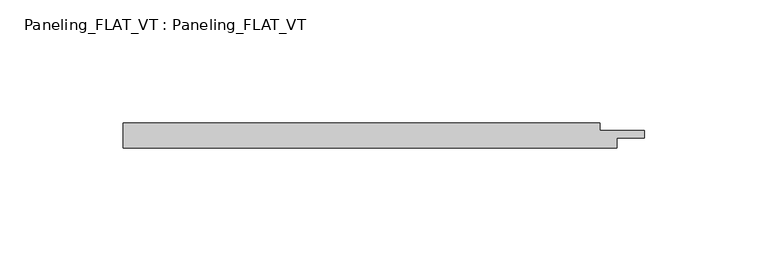
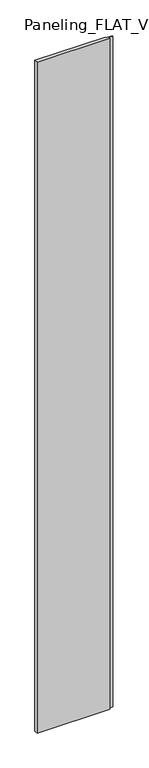
"""IFC4 building model written with IfcOpenShell, lengths in millimetres: plate geometry, Paneling_FLAT_VT : Paneling_FLAT_VT."""

from ifc_helpers import new_model, si_unit, origin, origin_with_axes, place, context, project, spatial, polyline, outline, extrude, source, transform, mapped, element, save


def paneling_flat_vt_paneling_flat_vt_5859c266(model_context):
    return source(origin(), model_context, "Body", "SweptSolid", [
        extrude(outline(polyline([(-100.0, -5.0), (-100.0, 5.0), (93.0, 5.0), (93.0, 2.0), (111.0, 2.0), (111.0, -1.0), (100.0, -1.0), (100.0, -5.0), (-100.0, -5.0)])), origin_with_axes(), (0.0, 0.0, 1.0), 1951.0),
    ])


if __name__ == "__main__":
    model = new_model("IFC4")
    model_context = context("Model", 3, world=origin())
    ifc_project = project(units=[si_unit("LENGTHUNIT", "METRE", prefix="MILLI")], contexts=[model_context])
    site = spatial("IfcSite", under=ifc_project)
    building = spatial("IfcBuilding", under=site)
    placement = place(None, origin())
    paneling_flat_vt_paneling_flat_vt_shape = paneling_flat_vt_paneling_flat_vt_5859c266(model_context)
    element("IfcPlate", 1, ObjectType="Paneling_FLAT_VT : Paneling_FLAT_VT", at=placement, inside=building, context=model_context, shape_type="MappedRepresentation", body=[
        mapped(paneling_flat_vt_paneling_flat_vt_shape, transform((0.0, 0.0, 0.0), x_axis=(1.0, 0.0, 0.0), y_axis=(0.0, 1.0, 0.0), z_axis=(0.0, 0.0, 1.0))),
    ])
    save(model, "model.ifc")
